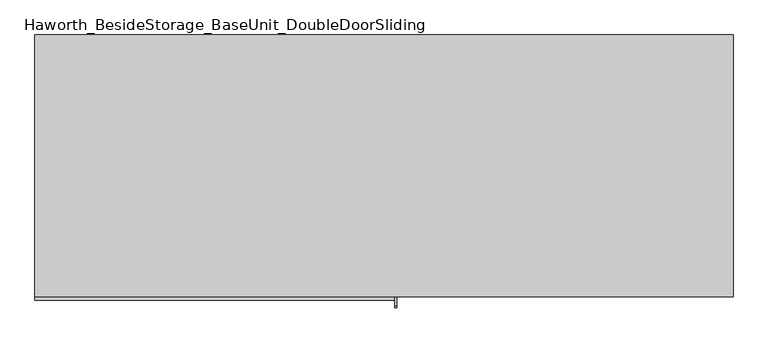
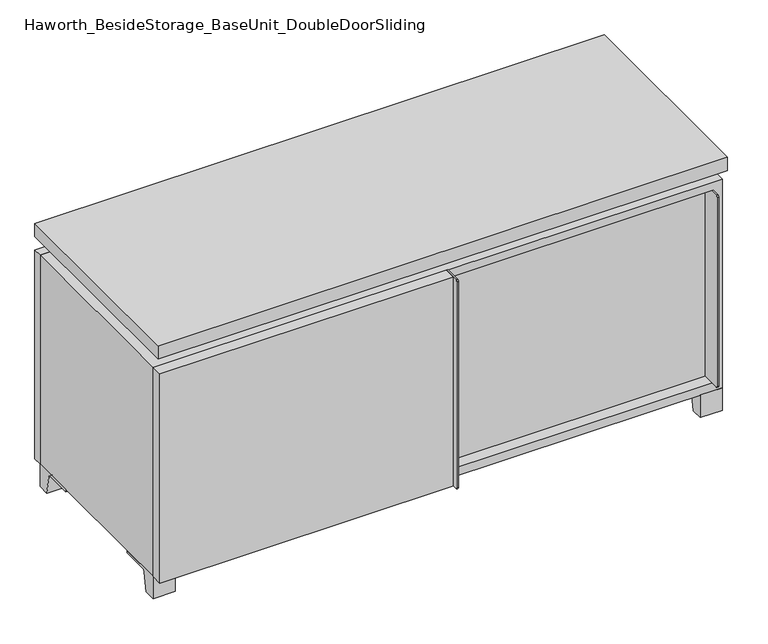
"""IFC4 building model written with IfcOpenShell, lengths in millimetres: furniture geometry, Haworth_BesideStorage_BaseUnit_DoubleDoorSliding."""

import ifcopenshell
import ifcopenshell.guid

model = None  # the IFC model being written
_history = None  # IfcOwnerHistory: only IFC2X3 demands one
_inside = {}  # id of a spatial element -> (the spatial element, [elements in it])
_under = {}  # id of a project, library or spatial element -> (it, [spatial elements below it])
_declared = {}  # id of a project -> (the project, [libraries it declares])
_typed = {}  # id of a type object -> (the type object, [elements of that type])
_made_of = {}  # id of a material, layer set ... -> (it, [elements and type objects made of it])


def new_model(schema):
    """Start an empty IFC model of exactly this schema.

    Asked for "IFC4X3", IfcOpenShell would pick the latest addendum, in which some entities
    have other attributes; the version numbers below select the first issue.
    IFC2X3 requires an IfcOwnerHistory on every rooted entity: one is made here for all.
    """
    global model, _history
    if schema == "IFC4X3":
        model = ifcopenshell.file(schema_version=(4, 3, 0, 0))
    else:
        model = ifcopenshell.file(schema=schema)
    _inside.clear()
    _under.clear()
    _declared.clear()
    _typed.clear()
    _made_of.clear()
    _history = None
    if model.schema == "IFC2X3":
        org = make("IfcOrganization", Name="unknown")
        user = make(
            "IfcPersonAndOrganization",
            ThePerson=make("IfcPerson", FamilyName="unknown"),
            TheOrganization=org,
        )
        app = make(
            "IfcApplication",
            ApplicationDeveloper=org,
            Version="unknown",
            ApplicationFullName="unknown",
            ApplicationIdentifier="unknown",
        )
        _history = make(
            "IfcOwnerHistory",
            OwningUser=user,
            OwningApplication=app,
            ChangeAction="ADDED",
            CreationDate=0,
        )
    return model


def make(cls, **values):
    """One entity of the class cls with the attributes given. An attribute that is None is left unset."""
    return model.create_entity(
        cls, **{name: value for name, value in values.items() if value is not None}
    )


def rooted(cls, **values):
    """An entity with a GlobalId (a new one), such as an element, a storey or a relation."""
    return make(cls, GlobalId=ifcopenshell.guid.new(), OwnerHistory=_history, **values)


def si_unit(unit_type, name, prefix=None):
    """IfcSIUnit, for example si_unit("LENGTHUNIT", "METRE", prefix="MILLI")."""
    return make("IfcSIUnit", UnitType=unit_type, Prefix=prefix, Name=name)


def assignment(units):
    """IfcUnitAssignment: the units of a project."""
    return None if units is None else make("IfcUnitAssignment", Units=units)


def point(xyz):
    """IfcCartesianPoint."""
    return None if xyz is None else make("IfcCartesianPoint", Coordinates=xyz)


def direction(xyz):
    """IfcDirection."""
    return None if xyz is None else make("IfcDirection", DirectionRatios=xyz)


def frame(location, z_axis=None, x_axis=None):
    """IfcAxis2Placement3D, a coordinate frame: its origin and axes. An axis left out is left unset."""
    return make(
        "IfcAxis2Placement3D",
        Location=point(location),
        Axis=direction(z_axis),
        RefDirection=direction(x_axis),
    )


def frame_2d(location, x_axis=None):
    """IfcAxis2Placement2D, a coordinate frame in the plane: its origin and x axis."""
    return make(
        "IfcAxis2Placement2D", Location=point(location), RefDirection=direction(x_axis)
    )


def origin():
    """The frame at (0, 0, 0) with its axes left unset."""
    return frame((0.0, 0.0, 0.0))


def place(relative_to, where):
    """IfcLocalPlacement: puts the frame where relative to a parent placement (None: the world)."""
    return make(
        "IfcLocalPlacement", PlacementRelTo=relative_to, RelativePlacement=where
    )


def context(
    kind, dimensions, precision=None, world=None, true_north=None, identifier=None
):
    """IfcGeometricRepresentationContext, for example the 3D "Model" context."""
    return make(
        "IfcGeometricRepresentationContext",
        ContextIdentifier=identifier,
        ContextType=kind,
        CoordinateSpaceDimension=dimensions,
        Precision=precision,
        WorldCoordinateSystem=world,
        TrueNorth=true_north,
    )


def project(units=None, contexts=None):
    """IfcProject with its units and contexts."""
    return rooted(
        "IfcProject",
        Name="project",
        RepresentationContexts=contexts,
        UnitsInContext=assignment(units),
    )


def spatial(cls, under=None, at=None, **own):
    """A site, building, storey or space (cls), placed at a placement, below another one or the project."""
    s = rooted(cls, ObjectPlacement=at, **own)
    if under is not None:
        _under.setdefault(under.id(), (under, []))[1].append(s)
    return s


def polyline(points):
    """IfcPolyline through the points."""
    return make("IfcPolyline", Points=[point(p) for p in points])


def circle_curve(where, radius):
    """IfcCircle in the frame where."""
    return make("IfcCircle", Position=where, Radius=radius)


def trimmed(basis, trim1, trim2, sense, master):
    """IfcTrimmedCurve: the piece of a basis curve between two trims."""
    return make(
        "IfcTrimmedCurve",
        BasisCurve=basis,
        Trim1=trim1,
        Trim2=trim2,
        SenseAgreement=sense,
        MasterRepresentation=master,
    )


def segment(curve, same_sense, transition):
    """IfcCompositeCurveSegment."""
    return make(
        "IfcCompositeCurveSegment",
        Transition=transition,
        SameSense=same_sense,
        ParentCurve=curve,
    )


def composite_curve(segments, self_intersect=None):
    """IfcCompositeCurve: segments joined end to end."""
    return make("IfcCompositeCurve", Segments=segments, SelfIntersect=self_intersect)


def outline(outer, holes=None, kind="AREA"):
    """IfcArbitraryClosedProfileDef: a profile drawn as a closed curve; with holes, ...WithVoids."""
    if holes is None:
        return make("IfcArbitraryClosedProfileDef", ProfileType=kind, OuterCurve=outer)
    return make(
        "IfcArbitraryProfileDefWithVoids",
        ProfileType=kind,
        OuterCurve=outer,
        InnerCurves=holes,
    )


def extrude(swept, where, along, depth):
    """IfcExtrudedAreaSolid: the profile swept, set in the frame where, extruded along a direction by depth."""
    return make(
        "IfcExtrudedAreaSolid",
        SweptArea=swept,
        Position=where,
        ExtrudedDirection=direction(along),
        Depth=depth,
    )


def faces_of(points, faces, orient=None, outer=None):
    """IfcFace entities. A face is a list of loops; a loop is a list of indices into points, from 0.

    orient and outer hold one flag for each loop. By default every Orientation is true, the
    first loop of a face is its IfcFaceOuterBound and the others are IfcFaceBound.
    """
    made = []
    for i, loops in enumerate(faces):
        bounds = []
        for j, loop in enumerate(loops):
            is_outer = j == 0 if outer is None else outer[i][j]
            bounds.append(
                make(
                    "IfcFaceOuterBound" if is_outer else "IfcFaceBound",
                    Bound=make("IfcPolyLoop", Polygon=[points[k] for k in loop]),
                    Orientation=True if orient is None else orient[i][j],
                )
            )
        made.append(make("IfcFace", Bounds=bounds))
    return made


def faceted_brep(points, faces, orient=None, outer=None, voids=None):
    """IfcFacetedBrep: a solid bounded by flat faces; with voids (closed shells), ...WithVoids."""
    shared = [point(p) for p in points]
    hull = make("IfcClosedShell", CfsFaces=faces_of(shared, faces, orient, outer))
    if voids is None:
        return make("IfcFacetedBrep", Outer=hull)
    return make(
        "IfcFacetedBrepWithVoids",
        Outer=hull,
        Voids=[
            make(cls, CfsFaces=faces_of(shared, fs, o, b)) for cls, fs, o, b in voids
        ],
    )


def shape(context_of_items, identifier, shape_type, items):
    """IfcShapeRepresentation: the items that make up one representation, for example the "Body"."""
    return make(
        "IfcShapeRepresentation",
        ContextOfItems=context_of_items,
        RepresentationIdentifier=identifier,
        RepresentationType=shape_type,
        Items=items,
    )


def source(mapping_origin, context_of_items, identifier, shape_type, items):
    """IfcRepresentationMap: a shape defined once, which mapped items show again and again."""
    return make(
        "IfcRepresentationMap",
        MappingOrigin=mapping_origin,
        MappedRepresentation=shape(context_of_items, identifier, shape_type, items),
    )


def transform(
    local_origin,
    x_axis=None,
    y_axis=None,
    z_axis=None,
    scale=None,
    scale2=None,
    scale3=None,
    uniform=True,
):
    """IfcCartesianTransformationOperator3D, or its non-uniform kind. x_axis, y_axis, z_axis: its Axis1, 2, 3."""
    if uniform:
        return make(
            "IfcCartesianTransformationOperator3D",
            Axis1=direction(x_axis),
            Axis2=direction(y_axis),
            LocalOrigin=point(local_origin),
            Scale=scale,
            Axis3=direction(z_axis),
        )
    return make(
        "IfcCartesianTransformationOperator3DnonUniform",
        Axis1=direction(x_axis),
        Axis2=direction(y_axis),
        LocalOrigin=point(local_origin),
        Scale=scale,
        Axis3=direction(z_axis),
        Scale2=scale2,
        Scale3=scale3,
    )


def mapped(mapping_source, mapping_target):
    """IfcMappedItem: shows the shape of a source again, moved by a transform."""
    return make(
        "IfcMappedItem", MappingSource=mapping_source, MappingTarget=mapping_target
    )


def made_of(thing, what):
    """Note that an element or type object is made of a material, layer set ...; save() writes the relation."""
    if what is not None:
        _made_of.setdefault(what.id(), (what, []))[1].append(thing)
    return thing


def element(
    cls,
    number,
    at=None,
    inside=None,
    cuts=None,
    type_object=None,
    material=None,
    context=None,
    identifier="Body",
    shape_type=None,
    held_by="IfcProductDefinitionShape",
    body=None,
    shapes=None,
    **own,
):
    """One element of the class cls, such as IfcWall. Its Tag is "e" and its number.

    at: its placement. inside: the storey or other place that contains it. cuts: it is an
    opening in that element (IfcRelVoidsElement). A single representation is given by context,
    identifier, shape_type and body (its items); several are given by shapes. held_by: the class
    of the entity that holds the representations. save() writes the other relations.
    """
    e = rooted(cls, Tag="e%d" % number, ObjectPlacement=at, **own)
    if body is not None:
        shapes = [shape(context, identifier, shape_type, body)]
    if shapes is not None:
        e.Representation = make(held_by, Representations=shapes)
    if inside is not None:
        _inside.setdefault(inside.id(), (inside, []))[1].append(e)
    if cuts is not None:
        rooted(
            "IfcRelVoidsElement", RelatingBuildingElement=cuts, RelatedOpeningElement=e
        )
    if type_object is not None:
        _typed.setdefault(type_object.id(), (type_object, []))[1].append(e)
    return made_of(e, material)


def aggregate(whole, parts):
    """IfcRelAggregates: a whole, such as a stair, and the parts it consists of."""
    return rooted("IfcRelAggregates", RelatingObject=whole, RelatedObjects=parts)


def save(model, path):
    """Write the relations noted so far, then the file.

    IfcRelAggregates (storeys below a building ...), IfcRelContainedInSpatialStructure (elements
    in a storey), IfcRelDefinesByType, IfcRelAssociatesMaterial and IfcRelDeclares: one each for
    every whole, place, type object, material and project.
    """
    for whole, parts in _under.values():
        aggregate(whole, parts)
    for where, things in _inside.values():
        rooted(
            "IfcRelContainedInSpatialStructure",
            RelatedElements=things,
            RelatingStructure=where,
        )
    for kind, things in _typed.values():
        rooted("IfcRelDefinesByType", RelatedObjects=things, RelatingType=kind)
    for what, things in _made_of.values():
        rooted("IfcRelAssociatesMaterial", RelatedObjects=things, RelatingMaterial=what)
    for by, libraries in _declared.values():
        rooted("IfcRelDeclares", RelatingContext=by, RelatedDefinitions=libraries)
    model.write(path)


def haworth_besidestorage_baseunit_doubledoorsliding_08bec3c6(model_context):
    return source(origin(), model_context, "Body", "SolidModel", [
        extrude(outline(polyline([(9.5319453, 241.3), (590.5569453, 241.3), (590.5569453, -92.075), (9.5319453, -92.075), (9.5319453, 241.3)])), frame((0.0, 0.0, 277.8125), z_axis=(0.0, 0.0, 1.0), x_axis=(1.0, 0.0, 0.0)), (0.0, 0.0, 1.0), 19.05),
        extrude(outline(polyline([(-9.5041641, 241.3), (-9.5041641, -92.075), (-590.5291641, -92.075), (-590.5291641, 241.3), (-9.5041641, 241.3)])), frame((0.0, 0.0, 277.8125), z_axis=(0.0, 0.0, 1.0), x_axis=(1.0, 0.0, 0.0)), (0.0, 0.0, 1.0), 19.05),
        extrude(outline(composite_curve([segment(polyline([(-95.25, 504.825), (-95.25, 69.85), (-161.925, 69.85)]), True, "CONTINUOUS"), segment(trimmed(circle_curve(frame_2d((-161.925, 73.025)), 3.175), [point((-161.925, 69.85))], [point((-165.1, 73.025))], False, "CARTESIAN"), True, "CONTINUOUS"), segment(polyline([(-165.1, 73.025), (-165.1, 501.65)]), True, "CONTINUOUS"), segment(trimmed(circle_curve(frame_2d((-161.925, 501.65)), 3.175), [point((-165.1, 501.65))], [point((-161.925, 504.825))], False, "CARTESIAN"), True, "CONTINUOUS"), segment(polyline([(-161.925, 504.825), (-95.25, 504.825)]), True, "CONTINUOUS")], self_intersect=False)), frame((587.3819453, 0.0, 0.0), z_axis=(1.0, 0.0, 0.0), x_axis=(0.0, 1.0, 0.0)), (0.0, 0.0, 1.0), 3.175),
        extrude(outline(polyline([(15.8819453, -95.25), (587.3819453, -95.25), (587.3819453, -120.65), (15.8819453, -120.65), (15.8819453, -95.25)])), frame((0.0, 0.0, 69.85), z_axis=(0.0, 0.0, 1.0), x_axis=(1.0, 0.0, 0.0)), (0.0, 0.0, 1.0), 434.975),
        extrude(outline(polyline([(609.6138906, 292.1), (609.6138906, -165.1), (-609.5861094, -165.1), (-609.5861094, 292.1), (609.6138906, 292.1)])), frame((0.0, 0.0, 554.0375), z_axis=(0.0, 0.0, 1.0), x_axis=(1.0, 0.0, 0.0)), (0.0, 0.0, 1.0), 30.1625),
        extrude(outline(composite_curve([segment(polyline([(-146.05, 523.875), (-146.05, 50.8), (-180.975, 50.8)]), True, "CONTINUOUS"), segment(trimmed(circle_curve(frame_2d((-180.975, 53.975)), 3.175), [point((-180.975, 50.8))], [point((-184.15, 53.975))], False, "CARTESIAN"), True, "CONTINUOUS"), segment(polyline([(-184.15, 53.975), (-184.15, 520.7)]), True, "CONTINUOUS"), segment(trimmed(circle_curve(frame_2d((-180.975, 520.7)), 3.175), [point((-184.15, 520.7))], [point((-180.975, 523.875))], False, "CARTESIAN"), True, "CONTINUOUS"), segment(polyline([(-180.975, 523.875), (-146.05, 523.875)]), True, "CONTINUOUS")], self_intersect=False)), frame((19.0638906, 0.0, 0.0), z_axis=(1.0, 0.0, 0.0), x_axis=(0.0, 1.0, 0.0)), (0.0, 0.0, 1.0), 3.175),
        extrude(outline(polyline([(-609.5861094, -146.05), (19.0638906, -146.05), (19.0638906, -171.45), (-609.5861094, -171.45), (-609.5861094, -146.05)])), frame((0.0, 0.0, 50.8), z_axis=(0.0, 0.0, 1.0), x_axis=(1.0, 0.0, 0.0)), (0.0, 0.0, 1.0), 473.075),
        extrude(outline(composite_curve([segment(polyline([(-120.6500136, 0.0), (-146.05, 0.0), (-146.05, 50.8), (-50.8, 50.8), (-50.8, 46.0213321), (-107.6005345, 46.0213321)]), True, "CONTINUOUS"), segment(trimmed(circle_curve(frame_2d((-107.6005345, 39.6713321)), 6.35), [point((-107.6005345, 46.0213321))], [point((-113.8641359, 40.7152656))], True, "CARTESIAN"), True, "CONTINUOUS"), segment(polyline([(-113.8641359, 40.7152656), (-120.6500136, 0.0)]), True, "CONTINUOUS")], self_intersect=False)), frame((561.9888906, 0.0, 0.0), z_axis=(1.0, 0.0, 0.0), x_axis=(0.0, 1.0, 0.0)), (0.0, 0.0, 1.0), 47.625),
        extrude(outline(composite_curve([segment(polyline([(247.6500136, 0.0), (240.8641359, 40.7152656)]), True, "CONTINUOUS"), segment(trimmed(circle_curve(frame_2d((234.6005345, 39.6713321)), 6.35), [point((240.8641359, 40.7152656))], [point((234.6005345, 46.0213321))], True, "CARTESIAN"), True, "CONTINUOUS"), segment(polyline([(234.6005345, 46.0213321), (177.8, 46.0213321), (177.8, 50.8), (273.05, 50.8), (273.05, 0.0), (247.6500136, 0.0)]), True, "CONTINUOUS")], self_intersect=False)), frame((561.9888906, 0.0, 0.0), z_axis=(1.0, 0.0, 0.0), x_axis=(0.0, 1.0, 0.0)), (0.0, 0.0, 1.0), 47.625),
        extrude(outline(composite_curve([segment(polyline([(-120.6500136, 0.0), (-146.05, 0.0), (-146.05, 50.8), (-50.8, 50.8), (-50.8, 46.0213321), (-107.6005345, 46.0213321)]), True, "CONTINUOUS"), segment(trimmed(circle_curve(frame_2d((-107.6005345, 39.6713321)), 6.35), [point((-107.6005345, 46.0213321))], [point((-113.8641359, 40.7152656))], True, "CARTESIAN"), True, "CONTINUOUS"), segment(polyline([(-113.8641359, 40.7152656), (-120.6500136, 0.0)]), True, "CONTINUOUS")], self_intersect=False)), frame((-609.5861094, 0.0, 0.0), z_axis=(1.0, 0.0, 0.0), x_axis=(0.0, 1.0, 0.0)), (0.0, 0.0, 1.0), 47.625),
        extrude(outline(composite_curve([segment(polyline([(247.6500136, 0.0), (240.8641359, 40.7152656)]), True, "CONTINUOUS"), segment(trimmed(circle_curve(frame_2d((234.6005345, 39.6713321)), 6.35), [point((240.8641359, 40.7152656))], [point((234.6005345, 46.0213321))], True, "CARTESIAN"), True, "CONTINUOUS"), segment(polyline([(234.6005345, 46.0213321), (177.8, 46.0213321), (177.8, 50.8), (273.05, 50.8), (273.05, 0.0), (247.6500136, 0.0)]), True, "CONTINUOUS")], self_intersect=False)), frame((-609.5861094, 0.0, 0.0), z_axis=(1.0, 0.0, 0.0), x_axis=(0.0, 1.0, 0.0)), (0.0, 0.0, 1.0), 47.625),
        faceted_brep([(7.9513906, -120.65, 554.0375), (7.9513906, -120.65, 523.875), (7.9513906, 53.975, 523.875), (7.9513906, 53.975, 554.0375), (7.9513906, 247.65, 523.875), (7.9513906, 247.65, 554.0375), (7.9513906, 73.025, 554.0375), (7.9513906, 73.025, 523.875), (-7.9236094, 247.65, 554.0375), (-7.9236094, 247.65, 523.875), (-7.9236094, 73.025, 523.875), (-7.9236094, 73.025, 554.0375), (-7.9236094, -120.65, 523.875), (-7.9236094, -120.65, 554.0375), (-7.9236094, 53.975, 554.0375), (-7.9236094, 53.975, 523.875), (-568.2833281, 73.025, 554.0375), (-568.3041641, 247.65, 554.0375), (-584.1791641, 247.65, 554.0375), (-584.1791641, -120.65, 554.0375), (-568.3041641, -120.65, 554.0375), (-568.3041641, 53.975, 554.0375), (568.3111094, 53.975, 554.0375), (568.3111094, -120.65, 554.0375), (584.1861094, -120.65, 554.0375), (584.1861094, 247.65, 554.0375), (568.3111094, 247.65, 554.0375), (568.3111094, 73.025, 554.0375), (-568.2833281, 53.975, 523.875), (-568.3041641, -120.65, 523.875), (-584.1791641, -120.65, 523.875), (-584.1791641, 247.65, 523.875), (-568.3041641, 247.65, 523.875), (-568.3041641, 73.025, 523.875), (568.3111094, 73.025, 523.875), (568.3111094, 247.65, 523.875), (584.1861094, 247.65, 523.875), (584.1861094, -120.65, 523.875), (568.3111094, -120.65, 523.875), (568.3111094, 53.975, 523.875)], [[[0, 1, 2, 3]], [[4, 5, 6, 7]], [[8, 9, 10, 11]], [[12, 13, 14, 15]], [[5, 8, 11, 16, 17, 18, 19, 20, 21, 14, 13, 0, 3, 22, 23, 24, 25, 26, 27, 6]], [[1, 12, 15, 28, 29, 30, 31, 32, 33, 10, 9, 4, 7, 34, 35, 36, 37, 38, 39, 2]], [[5, 4, 9, 8]], [[1, 0, 13, 12]], [[6, 27, 34, 7]], [[22, 3, 2, 39]], [[20, 29, 28, 21]], [[32, 17, 16, 33]], [[18, 31, 30, 19]], [[29, 20, 19, 30]], [[17, 32, 31, 18]], [[26, 35, 34, 27]], [[38, 23, 22, 39]], [[25, 24, 37, 36]], [[23, 38, 37, 24]], [[35, 26, 25, 36]], [[16, 11, 10, 33]], [[14, 21, 28, 15]]]),
        extrude(outline(polyline([(9.5388906, 241.3), (9.5388906, -95.25), (-9.5111094, -95.25), (-9.5111094, 241.3), (9.5388906, 241.3)])), frame((0.0, 0.0, 69.85), z_axis=(0.0, 0.0, 1.0), x_axis=(1.0, 0.0, 0.0)), (0.0, 0.0, 1.0), 434.975),
        extrude(outline(polyline([(15.8888906, -88.9), (15.8888906, -146.05), (-9.5111094, -146.05), (-9.5111094, -120.65), (3.1888906, -120.65), (3.1888906, -88.9), (15.8888906, -88.9)])), frame((0.0, 0.0, 69.85), z_axis=(0.0, 0.0, 1.0), x_axis=(1.0, 0.0, 0.0)), (0.0, 0.0, 1.0), 434.975),
        extrude(outline(polyline([(609.6138906, 273.05), (-609.5861094, 273.05), (-609.5861094, 292.1), (609.6138906, 292.1), (609.6138906, 273.05)])), frame((0.0, 0.0, 50.8), z_axis=(0.0, 0.0, 1.0), x_axis=(1.0, 0.0, 0.0)), (0.0, 0.0, 1.0), 473.075),
        extrude(outline(polyline([(50.8, -609.5861094), (50.8, 609.6), (523.875, 609.6), (523.875, -609.5861094), (50.8, -609.5861094)]), holes=[polyline([(69.85, -590.5361094), (504.825, -590.5361094), (504.825, 590.5361094), (69.85, 590.5361094), (69.85, -590.5361094)])]), frame((0.0, -146.05, 0.0), z_axis=(0.0, 1.0, 0.0), x_axis=(0.0, 0.0, 1.0)), (0.0, 0.0, 1.0), 419.1),
        extrude(outline(polyline([(-590.5291641, 241.3), (-590.5291641, 247.65), (590.5569453, 247.65), (590.5569453, 241.3), (-590.5291641, 241.3)])), frame((0.0, 0.0, 69.85), z_axis=(0.0, 0.0, 1.0), x_axis=(1.0, 0.0, 0.0)), (0.0, 0.0, 1.0), 434.975),
    ])


if __name__ == "__main__":
    model = new_model("IFC4")
    model_context = context("Model", 3, world=origin())
    ifc_project = project(units=[si_unit("LENGTHUNIT", "METRE", prefix="MILLI")], contexts=[model_context])
    site = spatial("IfcSite", under=ifc_project)
    building = spatial("IfcBuilding", under=site)
    placement = place(None, origin())
    haworth_besidestorage_baseunit_doubledoorsliding_shape = haworth_besidestorage_baseunit_doubledoorsliding_08bec3c6(model_context)
    element("IfcFurniture", 1, ObjectType="Haworth_BesideStorage_BaseUnit_DoubleDoorSliding", at=placement, inside=building, context=model_context, shape_type="MappedRepresentation", body=[
        mapped(haworth_besidestorage_baseunit_doubledoorsliding_shape, transform((0.0, 0.0, 0.0), x_axis=(1.0, 0.0, 0.0), y_axis=(0.0, 1.0, 0.0), z_axis=(0.0, 0.0, 1.0))),
    ])
    save(model, "model.ifc")
